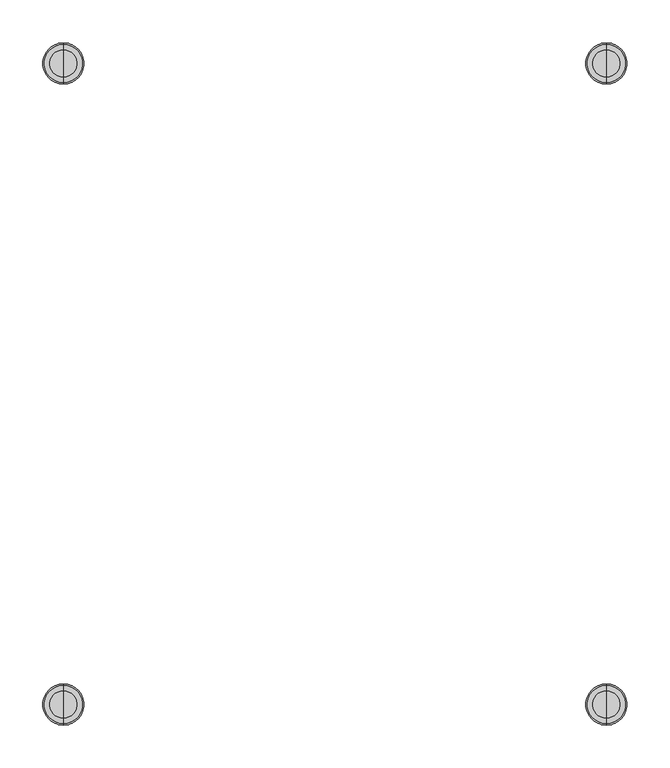
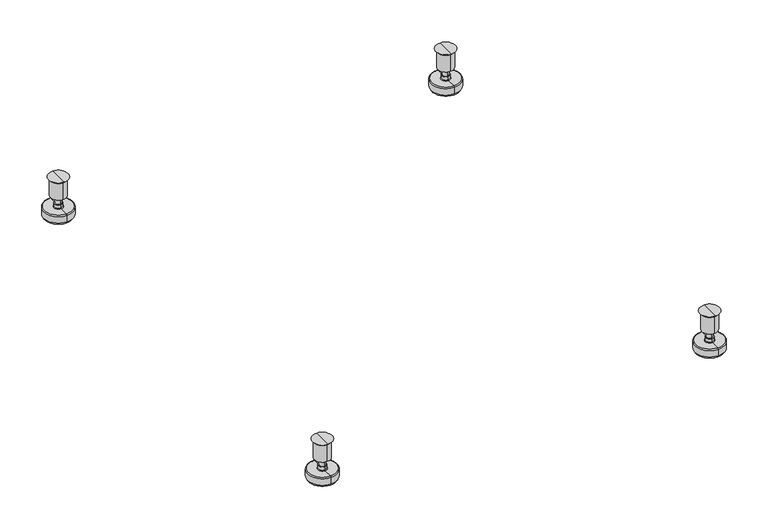
"""IFC4 building model written with IfcOpenShell, lengths in millimetres: proxy geometry."""

from ifc_helpers import new_model, si_unit, point, frame, origin, place, context, project, spatial, polyline, circle_curve, ellipse_curve, trimmed, source, transform, mapped, element, save
from ifc_brep_helpers import plane_surface, cylinder_surface, revolved_surface, advanced_brep


def specialty_equipment_d7a7bdd4(model_context):
    return source(origin(), model_context, "Body", "AdvancedBrep", [
        advanced_brep(
        [(-315.785554, 394.97, 30.3784), (-315.785554, 350.519892, 30.3784), (-315.785554, 350.519892, 33.5534), (-315.785554, 394.97, 33.5534), (-315.785554, 372.744946, 30.3784), (-315.785554, 388.592, 97.0), (-315.785554, 356.897892, 97.0), (-315.785554, 372.744946, 97.0), (-315.785554, 385.445, 93.853), (-315.785554, 360.044892, 93.853), (-315.785554, 385.445, 65.3034), (-315.785554, 360.044892, 65.3034), (-315.785554, 377.5075, 65.3034), (-315.785554, 367.982392, 65.3034), (-315.785554, 377.5075, 52.6034), (-315.785554, 367.982392, 52.6034), (-315.785554, 379.095, 52.6034), (-315.785554, 366.394892, 52.6034), (-315.785554, 379.095, 47.2694), (-315.785554, 366.394892, 47.2694), (-315.785554, 380.111, 46.2534), (-315.785554, 365.378892, 46.2534), (-315.785554, 394.97, 46.2534), (-315.785554, 350.519892, 46.2534), (-315.785554, 396.5575, 44.6659), (-315.785554, 348.932392, 44.6659), (-315.785554, 396.5575, 33.5534), (-315.785554, 348.932392, 33.5534)],
        [
            (0, 1, circle_curve(frame((-315.785554, 372.744946, 30.3784), z_axis=(0.0, 0.0, 1.0), x_axis=(0.0, -1.0, 0.0)), 22.225054)),
            (1, 2),
            (2, 3, circle_curve(frame((-315.785554, 372.744946, 33.5534), z_axis=(0.0, 0.0, -1.0), x_axis=(0.0, -1.0, 0.0)), 22.225054)),
            (3, 0),
            (1, 0, circle_curve(frame((-315.785554, 372.744946, 30.3784), z_axis=(0.0, 0.0, 1.0), x_axis=(0.0, -1.0, 0.0)), 22.225054)),
            (3, 2, circle_curve(frame((-315.785554, 372.744946, 33.5534), z_axis=(0.0, 0.0, -1.0), x_axis=(0.0, -1.0, 0.0)), 22.225054)),
            (4, 1),
            (0, 4),
            (5, 6, circle_curve(frame((-315.785554, 372.744946, 97.0), z_axis=(0.0, 0.0, 1.0), x_axis=(0.0, -1.0, 0.0)), 15.847054)),
            (6, 7),
            (7, 5),
            (6, 5, circle_curve(frame((-315.785554, 372.744946, 97.0), z_axis=(0.0, 0.0, 1.0), x_axis=(0.0, -1.0, 0.0)), 15.847054)),
            (8, 9, circle_curve(frame((-315.785554, 372.744946, 93.853), z_axis=(0.0, 0.0, 1.0), x_axis=(0.0, -1.0, 0.0)), 12.700054)),
            (9, 6),
            (5, 8),
            (9, 8, circle_curve(frame((-315.785554, 372.744946, 93.853), z_axis=(0.0, 0.0, 1.0), x_axis=(0.0, -1.0, 0.0)), 12.700054)),
            (10, 11, circle_curve(frame((-315.785554, 372.744946, 65.3034), z_axis=(0.0, 0.0, 1.0), x_axis=(0.0, -1.0, 0.0)), 12.700054)),
            (11, 9),
            (8, 10),
            (11, 10, circle_curve(frame((-315.785554, 372.744946, 65.3034), z_axis=(0.0, 0.0, 1.0), x_axis=(0.0, -1.0, 0.0)), 12.700054)),
            (12, 13, circle_curve(frame((-315.785554, 372.744946, 65.3034), z_axis=(0.0, 0.0, 1.0), x_axis=(0.0, -1.0, 0.0)), 4.762554)),
            (13, 11),
            (10, 12),
            (13, 12, circle_curve(frame((-315.785554, 372.744946, 65.3034), z_axis=(0.0, 0.0, 1.0), x_axis=(0.0, -1.0, 0.0)), 4.762554)),
            (14, 15, circle_curve(frame((-315.785554, 372.744946, 52.6034), z_axis=(0.0, 0.0, 1.0), x_axis=(0.0, -1.0, 0.0)), 4.762554)),
            (15, 13),
            (12, 14),
            (15, 14, circle_curve(frame((-315.785554, 372.744946, 52.6034), z_axis=(0.0, 0.0, 1.0), x_axis=(0.0, -1.0, 0.0)), 4.762554)),
            (16, 17, circle_curve(frame((-315.785554, 372.744946, 52.6034), z_axis=(0.0, 0.0, 1.0), x_axis=(0.0, -1.0, 0.0)), 6.350054)),
            (17, 15),
            (14, 16),
            (17, 16, circle_curve(frame((-315.785554, 372.744946, 52.6034), z_axis=(0.0, 0.0, 1.0), x_axis=(0.0, -1.0, 0.0)), 6.350054)),
            (18, 19, circle_curve(frame((-315.785554, 372.744946, 47.2694), z_axis=(0.0, 0.0, 1.0), x_axis=(0.0, -1.0, 0.0)), 6.350054)),
            (19, 17),
            (16, 18),
            (19, 18, circle_curve(frame((-315.785554, 372.744946, 47.2694), z_axis=(0.0, 0.0, 1.0), x_axis=(0.0, -1.0, 0.0)), 6.350054)),
            (20, 21, circle_curve(frame((-315.785554, 372.744946, 46.2534), z_axis=(0.0, 0.0, 1.0), x_axis=(0.0, -1.0, 0.0)), 7.366054)),
            (21, 19),
            (18, 20),
            (21, 20, circle_curve(frame((-315.785554, 372.744946, 46.2534), z_axis=(0.0, 0.0, 1.0), x_axis=(0.0, -1.0, 0.0)), 7.366054)),
            (22, 23, circle_curve(frame((-315.785554, 372.744946, 46.2534), z_axis=(0.0, 0.0, 1.0), x_axis=(0.0, -1.0, 0.0)), 22.225054)),
            (23, 21),
            (20, 22),
            (23, 22, circle_curve(frame((-315.785554, 372.744946, 46.2534), z_axis=(0.0, 0.0, 1.0), x_axis=(0.0, -1.0, 0.0)), 22.225054)),
            (24, 25, circle_curve(frame((-315.785554, 372.744946, 44.6659), z_axis=(0.0, 0.0, 1.0), x_axis=(0.0, -1.0, 0.0)), 23.812554)),
            (25, 23, circle_curve(frame((-315.785554, 350.519892, 44.6659), z_axis=(-1.0, 0.0, 0.0), x_axis=(0.0, 1.0, 0.0)), 1.5875)),
            (22, 24, circle_curve(frame((-315.785554, 394.97, 44.6659), z_axis=(-1.0, 0.0, 0.0), x_axis=(0.0, -1.0, 0.0)), 1.5875)),
            (25, 24, circle_curve(frame((-315.785554, 372.744946, 44.6659), z_axis=(0.0, 0.0, 1.0), x_axis=(0.0, -1.0, 0.0)), 23.812554)),
            (26, 27, circle_curve(frame((-315.785554, 372.744946, 33.5534), z_axis=(0.0, 0.0, 1.0), x_axis=(0.0, -1.0, 0.0)), 23.812554)),
            (27, 25),
            (24, 26),
            (27, 26, circle_curve(frame((-315.785554, 372.744946, 33.5534), z_axis=(0.0, 0.0, 1.0), x_axis=(0.0, -1.0, 0.0)), 23.812554)),
            (2, 27),
            (26, 3),
        ],
        [
            cylinder_surface(frame((-315.785554, 372.744946, 93.853), z_axis=(0.0, 0.0, -1.0), x_axis=(0.0, -1.0, 0.0)), 22.225054),
            plane_surface(frame((-315.785554, 372.744946, 30.3784), z_axis=(0.0, 0.0, -1.0), x_axis=(0.0, -1.0, 0.0))),
            plane_surface(frame((-315.785554, 372.744946, 97.0), z_axis=(0.0, 0.0, 1.0), x_axis=(0.0, -1.0, 0.0))),
            revolved_surface(polyline([(-315.785554, 356.897892, 97.0), (-315.785554, 360.044892, 93.853)]), (-315.785554, 372.744946, 93.853), (0.0, 0.0, -1.0)),
            cylinder_surface(frame((-315.785554, 372.744946, 93.853), z_axis=(0.0, 0.0, -1.0), x_axis=(0.0, -1.0, 0.0)), 12.700054),
            plane_surface(frame((-315.785554, 372.744946, 65.3034), z_axis=(0.0, 0.0, -1.0), x_axis=(0.0, -1.0, 0.0))),
            cylinder_surface(frame((-315.785554, 372.744946, 93.853), z_axis=(0.0, 0.0, -1.0), x_axis=(0.0, -1.0, 0.0)), 4.762554),
            plane_surface(frame((-315.785554, 372.744946, 52.6034), z_axis=(0.0, 0.0, 1.0), x_axis=(0.0, -1.0, 0.0))),
            cylinder_surface(frame((-315.785554, 372.744946, 93.853), z_axis=(0.0, 0.0, -1.0), x_axis=(0.0, -1.0, 0.0)), 6.350054),
            revolved_surface(polyline([(-315.785554, 366.394892, 47.2694), (-315.785554, 365.378892, 46.2534)]), (-315.785554, 372.744946, 93.853), (0.0, 0.0, -1.0)),
            plane_surface(frame((-315.785554, 372.744946, 46.2534), z_axis=(0.0, 0.0, 1.0), x_axis=(0.0, -1.0, 0.0))),
            revolved_surface(trimmed(ellipse_curve(frame((-315.785554, 350.519892, 44.6659), z_axis=(1.0, 0.0, 0.0), x_axis=(0.0, 1.0, 0.0)), 1.5875, 1.5875), [point((-315.785554, 350.519892, 46.2534))], [point((-315.785554, 348.932392, 44.6659))], True, "CARTESIAN"), (-315.785554, 372.744946, 93.853), (0.0, 0.0, -1.0)),
            cylinder_surface(frame((-315.785554, 372.744946, 93.853), z_axis=(0.0, 0.0, -1.0), x_axis=(0.0, -1.0, 0.0)), 23.812554),
            plane_surface(frame((-315.785554, 372.744946, 33.5534), z_axis=(0.0, 0.0, -1.0), x_axis=(0.0, -1.0, 0.0))),
        ],
        [
            (0, [[1, 2, 3, 4]]),
            (0, [[5, -4, 6, -2]]),
            (1, [[7, -1, 8]]),
            (1, [[-8, -5, -7]]),
            (2, [[9, 10, 11]]),
            (2, [[12, -11, -10]]),
            (3, [[13, 14, -9, 15]]),
            (3, [[16, -15, -12, -14]]),
            (4, [[17, 18, -13, 19]]),
            (4, [[20, -19, -16, -18]]),
            (5, [[21, 22, -17, 23]]),
            (5, [[24, -23, -20, -22]]),
            (6, [[25, 26, -21, 27]]),
            (6, [[28, -27, -24, -26]]),
            (7, [[29, 30, -25, 31]]),
            (7, [[32, -31, -28, -30]]),
            (8, [[33, 34, -29, 35]]),
            (8, [[36, -35, -32, -34]]),
            (9, [[37, 38, -33, 39]]),
            (9, [[40, -39, -36, -38]]),
            (10, [[41, 42, -37, 43]]),
            (10, [[44, -43, -40, -42]]),
            (11, [[45, 46, -41, 47]]),
            (11, [[48, -47, -44, -46]]),
            (12, [[49, 50, -45, 51]]),
            (12, [[52, -51, -48, -50]]),
            (13, [[-3, 53, -49, 54]]),
            (13, [[-6, -54, -52, -53]]),
        ],
    ),
        advanced_brep(
        [(315.658446, 394.97, 30.3784), (315.658446, 350.519892, 30.3784), (315.658446, 350.519892, 33.5534), (315.658446, 394.97, 33.5534), (315.658446, 372.744946, 30.3784), (315.658446, 388.592, 97.0), (315.658446, 356.897892, 97.0), (315.658446, 372.744946, 97.0), (315.658446, 385.445, 93.853), (315.658446, 360.044892, 93.853), (315.658446, 385.445, 65.3034), (315.658446, 360.044892, 65.3034), (315.658446, 377.5075, 65.3034), (315.658446, 367.982392, 65.3034), (315.658446, 377.5075, 52.6034), (315.658446, 367.982392, 52.6034), (315.658446, 379.095, 52.6034), (315.658446, 366.394892, 52.6034), (315.658446, 379.095, 47.2694), (315.658446, 366.394892, 47.2694), (315.658446, 380.111, 46.2534), (315.658446, 365.378892, 46.2534), (315.658446, 394.97, 46.2534), (315.658446, 350.519892, 46.2534), (315.658446, 396.5575, 44.6659), (315.658446, 348.932392, 44.6659), (315.658446, 396.5575, 33.5534), (315.658446, 348.932392, 33.5534)],
        [
            (0, 1, circle_curve(frame((315.658446, 372.744946, 30.3784), z_axis=(0.0, 0.0, 1.0), x_axis=(0.0, -1.0, 0.0)), 22.225054)),
            (1, 2),
            (2, 3, circle_curve(frame((315.658446, 372.744946, 33.5534), z_axis=(0.0, 0.0, -1.0), x_axis=(0.0, -1.0, 0.0)), 22.225054)),
            (3, 0),
            (1, 0, circle_curve(frame((315.658446, 372.744946, 30.3784), z_axis=(0.0, 0.0, 1.0), x_axis=(0.0, -1.0, 0.0)), 22.225054)),
            (3, 2, circle_curve(frame((315.658446, 372.744946, 33.5534), z_axis=(0.0, 0.0, -1.0), x_axis=(0.0, -1.0, 0.0)), 22.225054)),
            (4, 1),
            (0, 4),
            (5, 6, circle_curve(frame((315.658446, 372.744946, 97.0), z_axis=(0.0, 0.0, 1.0), x_axis=(0.0, -1.0, 0.0)), 15.847054)),
            (6, 7),
            (7, 5),
            (6, 5, circle_curve(frame((315.658446, 372.744946, 97.0), z_axis=(0.0, 0.0, 1.0), x_axis=(0.0, -1.0, 0.0)), 15.847054)),
            (8, 9, circle_curve(frame((315.658446, 372.744946, 93.853), z_axis=(0.0, 0.0, 1.0), x_axis=(0.0, -1.0, 0.0)), 12.700054)),
            (9, 6),
            (5, 8),
            (9, 8, circle_curve(frame((315.658446, 372.744946, 93.853), z_axis=(0.0, 0.0, 1.0), x_axis=(0.0, -1.0, 0.0)), 12.700054)),
            (10, 11, circle_curve(frame((315.658446, 372.744946, 65.3034), z_axis=(0.0, 0.0, 1.0), x_axis=(0.0, -1.0, 0.0)), 12.700054)),
            (11, 9),
            (8, 10),
            (11, 10, circle_curve(frame((315.658446, 372.744946, 65.3034), z_axis=(0.0, 0.0, 1.0), x_axis=(0.0, -1.0, 0.0)), 12.700054)),
            (12, 13, circle_curve(frame((315.658446, 372.744946, 65.3034), z_axis=(0.0, 0.0, 1.0), x_axis=(0.0, -1.0, 0.0)), 4.762554)),
            (13, 11),
            (10, 12),
            (13, 12, circle_curve(frame((315.658446, 372.744946, 65.3034), z_axis=(0.0, 0.0, 1.0), x_axis=(0.0, -1.0, 0.0)), 4.762554)),
            (14, 15, circle_curve(frame((315.658446, 372.744946, 52.6034), z_axis=(0.0, 0.0, 1.0), x_axis=(0.0, -1.0, 0.0)), 4.762554)),
            (15, 13),
            (12, 14),
            (15, 14, circle_curve(frame((315.658446, 372.744946, 52.6034), z_axis=(0.0, 0.0, 1.0), x_axis=(0.0, -1.0, 0.0)), 4.762554)),
            (16, 17, circle_curve(frame((315.658446, 372.744946, 52.6034), z_axis=(0.0, 0.0, 1.0), x_axis=(0.0, -1.0, 0.0)), 6.350054)),
            (17, 15),
            (14, 16),
            (17, 16, circle_curve(frame((315.658446, 372.744946, 52.6034), z_axis=(0.0, 0.0, 1.0), x_axis=(0.0, -1.0, 0.0)), 6.350054)),
            (18, 19, circle_curve(frame((315.658446, 372.744946, 47.2694), z_axis=(0.0, 0.0, 1.0), x_axis=(0.0, -1.0, 0.0)), 6.350054)),
            (19, 17),
            (16, 18),
            (19, 18, circle_curve(frame((315.658446, 372.744946, 47.2694), z_axis=(0.0, 0.0, 1.0), x_axis=(0.0, -1.0, 0.0)), 6.350054)),
            (20, 21, circle_curve(frame((315.658446, 372.744946, 46.2534), z_axis=(0.0, 0.0, 1.0), x_axis=(0.0, -1.0, 0.0)), 7.366054)),
            (21, 19),
            (18, 20),
            (21, 20, circle_curve(frame((315.658446, 372.744946, 46.2534), z_axis=(0.0, 0.0, 1.0), x_axis=(0.0, -1.0, 0.0)), 7.366054)),
            (22, 23, circle_curve(frame((315.658446, 372.744946, 46.2534), z_axis=(0.0, 0.0, 1.0), x_axis=(0.0, -1.0, 0.0)), 22.225054)),
            (23, 21),
            (20, 22),
            (23, 22, circle_curve(frame((315.658446, 372.744946, 46.2534), z_axis=(0.0, 0.0, 1.0), x_axis=(0.0, -1.0, 0.0)), 22.225054)),
            (24, 25, circle_curve(frame((315.658446, 372.744946, 44.6659), z_axis=(0.0, 0.0, 1.0), x_axis=(0.0, -1.0, 0.0)), 23.812554)),
            (25, 23, circle_curve(frame((315.658446, 350.519892, 44.6659), z_axis=(-1.0, 0.0, 0.0), x_axis=(0.0, 1.0, 0.0)), 1.5875)),
            (22, 24, circle_curve(frame((315.658446, 394.97, 44.6659), z_axis=(-1.0, 0.0, 0.0), x_axis=(0.0, -1.0, 0.0)), 1.5875)),
            (25, 24, circle_curve(frame((315.658446, 372.744946, 44.6659), z_axis=(0.0, 0.0, 1.0), x_axis=(0.0, -1.0, 0.0)), 23.812554)),
            (26, 27, circle_curve(frame((315.658446, 372.744946, 33.5534), z_axis=(0.0, 0.0, 1.0), x_axis=(0.0, -1.0, 0.0)), 23.812554)),
            (27, 25),
            (24, 26),
            (27, 26, circle_curve(frame((315.658446, 372.744946, 33.5534), z_axis=(0.0, 0.0, 1.0), x_axis=(0.0, -1.0, 0.0)), 23.812554)),
            (2, 27),
            (26, 3),
        ],
        [
            cylinder_surface(frame((315.658446, 372.744946, 93.853), z_axis=(0.0, 0.0, -1.0), x_axis=(0.0, -1.0, 0.0)), 22.225054),
            plane_surface(frame((315.658446, 372.744946, 30.3784), z_axis=(0.0, 0.0, -1.0), x_axis=(0.0, -1.0, 0.0))),
            plane_surface(frame((315.658446, 372.744946, 97.0), z_axis=(0.0, 0.0, 1.0), x_axis=(0.0, -1.0, 0.0))),
            revolved_surface(polyline([(315.658446, 356.897892, 97.0), (315.658446, 360.044892, 93.853)]), (315.658446, 372.744946, 93.853), (0.0, 0.0, -1.0)),
            cylinder_surface(frame((315.658446, 372.744946, 93.853), z_axis=(0.0, 0.0, -1.0), x_axis=(0.0, -1.0, 0.0)), 12.700054),
            plane_surface(frame((315.658446, 372.744946, 65.3034), z_axis=(0.0, 0.0, -1.0), x_axis=(0.0, -1.0, 0.0))),
            cylinder_surface(frame((315.658446, 372.744946, 93.853), z_axis=(0.0, 0.0, -1.0), x_axis=(0.0, -1.0, 0.0)), 4.762554),
            plane_surface(frame((315.658446, 372.744946, 52.6034), z_axis=(0.0, 0.0, 1.0), x_axis=(0.0, -1.0, 0.0))),
            cylinder_surface(frame((315.658446, 372.744946, 93.853), z_axis=(0.0, 0.0, -1.0), x_axis=(0.0, -1.0, 0.0)), 6.350054),
            revolved_surface(polyline([(315.658446, 366.394892, 47.2694), (315.658446, 365.378892, 46.2534)]), (315.658446, 372.744946, 93.853), (0.0, 0.0, -1.0)),
            plane_surface(frame((315.658446, 372.744946, 46.2534), z_axis=(0.0, 0.0, 1.0), x_axis=(0.0, -1.0, 0.0))),
            revolved_surface(trimmed(ellipse_curve(frame((315.658446, 350.519892, 44.6659), z_axis=(1.0, 0.0, 0.0), x_axis=(0.0, 1.0, 0.0)), 1.5875, 1.5875), [point((315.658446, 350.519892, 46.2534))], [point((315.658446, 348.932392, 44.6659))], True, "CARTESIAN"), (315.658446, 372.744946, 93.853), (0.0, 0.0, -1.0)),
            cylinder_surface(frame((315.658446, 372.744946, 93.853), z_axis=(0.0, 0.0, -1.0), x_axis=(0.0, -1.0, 0.0)), 23.812554),
            plane_surface(frame((315.658446, 372.744946, 33.5534), z_axis=(0.0, 0.0, -1.0), x_axis=(0.0, -1.0, 0.0))),
        ],
        [
            (0, [[1, 2, 3, 4]]),
            (0, [[5, -4, 6, -2]]),
            (1, [[7, -1, 8]]),
            (1, [[-8, -5, -7]]),
            (2, [[9, 10, 11]]),
            (2, [[12, -11, -10]]),
            (3, [[13, 14, -9, 15]]),
            (3, [[16, -15, -12, -14]]),
            (4, [[17, 18, -13, 19]]),
            (4, [[20, -19, -16, -18]]),
            (5, [[21, 22, -17, 23]]),
            (5, [[24, -23, -20, -22]]),
            (6, [[25, 26, -21, 27]]),
            (6, [[28, -27, -24, -26]]),
            (7, [[29, 30, -25, 31]]),
            (7, [[32, -31, -28, -30]]),
            (8, [[33, 34, -29, 35]]),
            (8, [[36, -35, -32, -34]]),
            (9, [[37, 38, -33, 39]]),
            (9, [[40, -39, -36, -38]]),
            (10, [[41, 42, -37, 43]]),
            (10, [[44, -43, -40, -42]]),
            (11, [[45, 46, -41, 47]]),
            (11, [[48, -47, -44, -46]]),
            (12, [[49, 50, -45, 51]]),
            (12, [[52, -51, -48, -50]]),
            (13, [[-3, 53, -49, 54]]),
            (13, [[-6, -54, -52, -53]]),
        ],
    ),
        advanced_brep(
        [(-315.785554, -350.519892, 30.3784), (-315.785554, -394.97, 30.3784), (-315.785554, -394.97, 33.5534), (-315.785554, -350.519892, 33.5534), (-315.785554, -372.744946, 30.3784), (-315.785554, -356.897892, 97.0), (-315.785554, -388.592, 97.0), (-315.785554, -372.744946, 97.0), (-315.785554, -360.044892, 93.853), (-315.785554, -385.445, 93.853), (-315.785554, -360.044892, 65.3034), (-315.785554, -385.445, 65.3034), (-315.785554, -367.982392, 65.3034), (-315.785554, -377.5075, 65.3034), (-315.785554, -367.982392, 52.6034), (-315.785554, -377.5075, 52.6034), (-315.785554, -366.394892, 52.6034), (-315.785554, -379.095, 52.6034), (-315.785554, -366.394892, 47.2694), (-315.785554, -379.095, 47.2694), (-315.785554, -365.378892, 46.2534), (-315.785554, -380.111, 46.2534), (-315.785554, -350.519892, 46.2534), (-315.785554, -394.97, 46.2534), (-315.785554, -348.932392, 44.6659), (-315.785554, -396.5575, 44.6659), (-315.785554, -348.932392, 33.5534), (-315.785554, -396.5575, 33.5534)],
        [
            (0, 1, circle_curve(frame((-315.785554, -372.744946, 30.3784), z_axis=(0.0, 0.0, 1.0), x_axis=(0.0, -1.0, 0.0)), 22.225054)),
            (1, 2),
            (2, 3, circle_curve(frame((-315.785554, -372.744946, 33.5534), z_axis=(0.0, 0.0, -1.0), x_axis=(0.0, -1.0, 0.0)), 22.225054)),
            (3, 0),
            (1, 0, circle_curve(frame((-315.785554, -372.744946, 30.3784), z_axis=(0.0, 0.0, 1.0), x_axis=(0.0, -1.0, 0.0)), 22.225054)),
            (3, 2, circle_curve(frame((-315.785554, -372.744946, 33.5534), z_axis=(0.0, 0.0, -1.0), x_axis=(0.0, -1.0, 0.0)), 22.225054)),
            (4, 1),
            (0, 4),
            (5, 6, circle_curve(frame((-315.785554, -372.744946, 97.0), z_axis=(0.0, 0.0, 1.0), x_axis=(0.0, -1.0, 0.0)), 15.847054)),
            (6, 7),
            (7, 5),
            (6, 5, circle_curve(frame((-315.785554, -372.744946, 97.0), z_axis=(0.0, 0.0, 1.0), x_axis=(0.0, -1.0, 0.0)), 15.847054)),
            (8, 9, circle_curve(frame((-315.785554, -372.744946, 93.853), z_axis=(0.0, 0.0, 1.0), x_axis=(0.0, -1.0, 0.0)), 12.700054)),
            (9, 6),
            (5, 8),
            (9, 8, circle_curve(frame((-315.785554, -372.744946, 93.853), z_axis=(0.0, 0.0, 1.0), x_axis=(0.0, -1.0, 0.0)), 12.700054)),
            (10, 11, circle_curve(frame((-315.785554, -372.744946, 65.3034), z_axis=(0.0, 0.0, 1.0), x_axis=(0.0, -1.0, 0.0)), 12.700054)),
            (11, 9),
            (8, 10),
            (11, 10, circle_curve(frame((-315.785554, -372.744946, 65.3034), z_axis=(0.0, 0.0, 1.0), x_axis=(0.0, -1.0, 0.0)), 12.700054)),
            (12, 13, circle_curve(frame((-315.785554, -372.744946, 65.3034), z_axis=(0.0, 0.0, 1.0), x_axis=(0.0, -1.0, 0.0)), 4.762554)),
            (13, 11),
            (10, 12),
            (13, 12, circle_curve(frame((-315.785554, -372.744946, 65.3034), z_axis=(0.0, 0.0, 1.0), x_axis=(0.0, -1.0, 0.0)), 4.762554)),
            (14, 15, circle_curve(frame((-315.785554, -372.744946, 52.6034), z_axis=(0.0, 0.0, 1.0), x_axis=(0.0, -1.0, 0.0)), 4.762554)),
            (15, 13),
            (12, 14),
            (15, 14, circle_curve(frame((-315.785554, -372.744946, 52.6034), z_axis=(0.0, 0.0, 1.0), x_axis=(0.0, -1.0, 0.0)), 4.762554)),
            (16, 17, circle_curve(frame((-315.785554, -372.744946, 52.6034), z_axis=(0.0, 0.0, 1.0), x_axis=(0.0, -1.0, 0.0)), 6.350054)),
            (17, 15),
            (14, 16),
            (17, 16, circle_curve(frame((-315.785554, -372.744946, 52.6034), z_axis=(0.0, 0.0, 1.0), x_axis=(0.0, -1.0, 0.0)), 6.350054)),
            (18, 19, circle_curve(frame((-315.785554, -372.744946, 47.2694), z_axis=(0.0, 0.0, 1.0), x_axis=(0.0, -1.0, 0.0)), 6.350054)),
            (19, 17),
            (16, 18),
            (19, 18, circle_curve(frame((-315.785554, -372.744946, 47.2694), z_axis=(0.0, 0.0, 1.0), x_axis=(0.0, -1.0, 0.0)), 6.350054)),
            (20, 21, circle_curve(frame((-315.785554, -372.744946, 46.2534), z_axis=(0.0, 0.0, 1.0), x_axis=(0.0, -1.0, 0.0)), 7.366054)),
            (21, 19),
            (18, 20),
            (21, 20, circle_curve(frame((-315.785554, -372.744946, 46.2534), z_axis=(0.0, 0.0, 1.0), x_axis=(0.0, -1.0, 0.0)), 7.366054)),
            (22, 23, circle_curve(frame((-315.785554, -372.744946, 46.2534), z_axis=(0.0, 0.0, 1.0), x_axis=(0.0, -1.0, 0.0)), 22.225054)),
            (23, 21),
            (20, 22),
            (23, 22, circle_curve(frame((-315.785554, -372.744946, 46.2534), z_axis=(0.0, 0.0, 1.0), x_axis=(0.0, -1.0, 0.0)), 22.225054)),
            (24, 25, circle_curve(frame((-315.785554, -372.744946, 44.6659), z_axis=(0.0, 0.0, 1.0), x_axis=(0.0, -1.0, 0.0)), 23.812554)),
            (25, 23, circle_curve(frame((-315.785554, -394.97, 44.6659), z_axis=(-1.0, 0.0, 0.0), x_axis=(0.0, 1.0, 0.0)), 1.5875)),
            (22, 24, circle_curve(frame((-315.785554, -350.519892, 44.6659), z_axis=(-1.0, 0.0, 0.0), x_axis=(0.0, -1.0, 0.0)), 1.5875)),
            (25, 24, circle_curve(frame((-315.785554, -372.744946, 44.6659), z_axis=(0.0, 0.0, 1.0), x_axis=(0.0, -1.0, 0.0)), 23.812554)),
            (26, 27, circle_curve(frame((-315.785554, -372.744946, 33.5534), z_axis=(0.0, 0.0, 1.0), x_axis=(0.0, -1.0, 0.0)), 23.812554)),
            (27, 25),
            (24, 26),
            (27, 26, circle_curve(frame((-315.785554, -372.744946, 33.5534), z_axis=(0.0, 0.0, 1.0), x_axis=(0.0, -1.0, 0.0)), 23.812554)),
            (2, 27),
            (26, 3),
        ],
        [
            cylinder_surface(frame((-315.785554, -372.744946, 93.853), z_axis=(0.0, 0.0, -1.0), x_axis=(0.0, -1.0, 0.0)), 22.225054),
            plane_surface(frame((-315.785554, -372.744946, 30.3784), z_axis=(0.0, 0.0, -1.0), x_axis=(0.0, -1.0, 0.0))),
            plane_surface(frame((-315.785554, -372.744946, 97.0), z_axis=(0.0, 0.0, 1.0), x_axis=(0.0, -1.0, 0.0))),
            revolved_surface(polyline([(-315.785554, -388.592, 97.0), (-315.785554, -385.445, 93.853)]), (-315.785554, -372.744946, 93.853), (0.0, 0.0, -1.0)),
            cylinder_surface(frame((-315.785554, -372.744946, 93.853), z_axis=(0.0, 0.0, -1.0), x_axis=(0.0, -1.0, 0.0)), 12.700054),
            plane_surface(frame((-315.785554, -372.744946, 65.3034), z_axis=(0.0, 0.0, -1.0), x_axis=(0.0, -1.0, 0.0))),
            cylinder_surface(frame((-315.785554, -372.744946, 93.853), z_axis=(0.0, 0.0, -1.0), x_axis=(0.0, -1.0, 0.0)), 4.762554),
            plane_surface(frame((-315.785554, -372.744946, 52.6034), z_axis=(0.0, 0.0, 1.0), x_axis=(0.0, -1.0, 0.0))),
            cylinder_surface(frame((-315.785554, -372.744946, 93.853), z_axis=(0.0, 0.0, -1.0), x_axis=(0.0, -1.0, 0.0)), 6.350054),
            revolved_surface(polyline([(-315.785554, -379.095, 47.2694), (-315.785554, -380.111, 46.2534)]), (-315.785554, -372.744946, 93.853), (0.0, 0.0, -1.0)),
            plane_surface(frame((-315.785554, -372.744946, 46.2534), z_axis=(0.0, 0.0, 1.0), x_axis=(0.0, -1.0, 0.0))),
            revolved_surface(trimmed(ellipse_curve(frame((-315.785554, -394.97, 44.6659), z_axis=(1.0, 0.0, 0.0), x_axis=(0.0, 1.0, 0.0)), 1.5875, 1.5875), [point((-315.785554, -394.97, 46.2534))], [point((-315.785554, -396.5575, 44.6659))], True, "CARTESIAN"), (-315.785554, -372.744946, 93.853), (0.0, 0.0, -1.0)),
            cylinder_surface(frame((-315.785554, -372.744946, 93.853), z_axis=(0.0, 0.0, -1.0), x_axis=(0.0, -1.0, 0.0)), 23.812554),
            plane_surface(frame((-315.785554, -372.744946, 33.5534), z_axis=(0.0, 0.0, -1.0), x_axis=(0.0, -1.0, 0.0))),
        ],
        [
            (0, [[1, 2, 3, 4]]),
            (0, [[5, -4, 6, -2]]),
            (1, [[7, -1, 8]]),
            (1, [[-8, -5, -7]]),
            (2, [[9, 10, 11]]),
            (2, [[12, -11, -10]]),
            (3, [[13, 14, -9, 15]]),
            (3, [[16, -15, -12, -14]]),
            (4, [[17, 18, -13, 19]]),
            (4, [[20, -19, -16, -18]]),
            (5, [[21, 22, -17, 23]]),
            (5, [[24, -23, -20, -22]]),
            (6, [[25, 26, -21, 27]]),
            (6, [[28, -27, -24, -26]]),
            (7, [[29, 30, -25, 31]]),
            (7, [[32, -31, -28, -30]]),
            (8, [[33, 34, -29, 35]]),
            (8, [[36, -35, -32, -34]]),
            (9, [[37, 38, -33, 39]]),
            (9, [[40, -39, -36, -38]]),
            (10, [[41, 42, -37, 43]]),
            (10, [[44, -43, -40, -42]]),
            (11, [[45, 46, -41, 47]]),
            (11, [[48, -47, -44, -46]]),
            (12, [[49, 50, -45, 51]]),
            (12, [[52, -51, -48, -50]]),
            (13, [[-3, 53, -49, 54]]),
            (13, [[-6, -54, -52, -53]]),
        ],
    ),
        advanced_brep(
        [(315.658446, -350.519892, 30.3784), (315.658446, -394.97, 30.3784), (315.658446, -394.97, 33.5534), (315.658446, -350.519892, 33.5534), (315.658446, -372.744946, 30.3784), (315.658446, -356.897892, 97.0), (315.658446, -388.592, 97.0), (315.658446, -372.744946, 97.0), (315.658446, -360.044892, 93.853), (315.658446, -385.445, 93.853), (315.658446, -360.044892, 65.3034), (315.658446, -385.445, 65.3034), (315.658446, -367.982392, 65.3034), (315.658446, -377.5075, 65.3034), (315.658446, -367.982392, 52.6034), (315.658446, -377.5075, 52.6034), (315.658446, -366.394892, 52.6034), (315.658446, -379.095, 52.6034), (315.658446, -366.394892, 47.2694), (315.658446, -379.095, 47.2694), (315.658446, -365.378892, 46.2534), (315.658446, -380.111, 46.2534), (315.658446, -350.519892, 46.2534), (315.658446, -394.97, 46.2534), (315.658446, -348.932392, 44.6659), (315.658446, -396.5575, 44.6659), (315.658446, -348.932392, 33.5534), (315.658446, -396.5575, 33.5534)],
        [
            (0, 1, circle_curve(frame((315.658446, -372.744946, 30.3784), z_axis=(0.0, 0.0, 1.0), x_axis=(0.0, -1.0, 0.0)), 22.225054)),
            (1, 2),
            (2, 3, circle_curve(frame((315.658446, -372.744946, 33.5534), z_axis=(0.0, 0.0, -1.0), x_axis=(0.0, -1.0, 0.0)), 22.225054)),
            (3, 0),
            (1, 0, circle_curve(frame((315.658446, -372.744946, 30.3784), z_axis=(0.0, 0.0, 1.0), x_axis=(0.0, -1.0, 0.0)), 22.225054)),
            (3, 2, circle_curve(frame((315.658446, -372.744946, 33.5534), z_axis=(0.0, 0.0, -1.0), x_axis=(0.0, -1.0, 0.0)), 22.225054)),
            (4, 1),
            (0, 4),
            (5, 6, circle_curve(frame((315.658446, -372.744946, 97.0), z_axis=(0.0, 0.0, 1.0), x_axis=(0.0, -1.0, 0.0)), 15.847054)),
            (6, 7),
            (7, 5),
            (6, 5, circle_curve(frame((315.658446, -372.744946, 97.0), z_axis=(0.0, 0.0, 1.0), x_axis=(0.0, -1.0, 0.0)), 15.847054)),
            (8, 9, circle_curve(frame((315.658446, -372.744946, 93.853), z_axis=(0.0, 0.0, 1.0), x_axis=(0.0, -1.0, 0.0)), 12.700054)),
            (9, 6),
            (5, 8),
            (9, 8, circle_curve(frame((315.658446, -372.744946, 93.853), z_axis=(0.0, 0.0, 1.0), x_axis=(0.0, -1.0, 0.0)), 12.700054)),
            (10, 11, circle_curve(frame((315.658446, -372.744946, 65.3034), z_axis=(0.0, 0.0, 1.0), x_axis=(0.0, -1.0, 0.0)), 12.700054)),
            (11, 9),
            (8, 10),
            (11, 10, circle_curve(frame((315.658446, -372.744946, 65.3034), z_axis=(0.0, 0.0, 1.0), x_axis=(0.0, -1.0, 0.0)), 12.700054)),
            (12, 13, circle_curve(frame((315.658446, -372.744946, 65.3034), z_axis=(0.0, 0.0, 1.0), x_axis=(0.0, -1.0, 0.0)), 4.762554)),
            (13, 11),
            (10, 12),
            (13, 12, circle_curve(frame((315.658446, -372.744946, 65.3034), z_axis=(0.0, 0.0, 1.0), x_axis=(0.0, -1.0, 0.0)), 4.762554)),
            (14, 15, circle_curve(frame((315.658446, -372.744946, 52.6034), z_axis=(0.0, 0.0, 1.0), x_axis=(0.0, -1.0, 0.0)), 4.762554)),
            (15, 13),
            (12, 14),
            (15, 14, circle_curve(frame((315.658446, -372.744946, 52.6034), z_axis=(0.0, 0.0, 1.0), x_axis=(0.0, -1.0, 0.0)), 4.762554)),
            (16, 17, circle_curve(frame((315.658446, -372.744946, 52.6034), z_axis=(0.0, 0.0, 1.0), x_axis=(0.0, -1.0, 0.0)), 6.350054)),
            (17, 15),
            (14, 16),
            (17, 16, circle_curve(frame((315.658446, -372.744946, 52.6034), z_axis=(0.0, 0.0, 1.0), x_axis=(0.0, -1.0, 0.0)), 6.350054)),
            (18, 19, circle_curve(frame((315.658446, -372.744946, 47.2694), z_axis=(0.0, 0.0, 1.0), x_axis=(0.0, -1.0, 0.0)), 6.350054)),
            (19, 17),
            (16, 18),
            (19, 18, circle_curve(frame((315.658446, -372.744946, 47.2694), z_axis=(0.0, 0.0, 1.0), x_axis=(0.0, -1.0, 0.0)), 6.350054)),
            (20, 21, circle_curve(frame((315.658446, -372.744946, 46.2534), z_axis=(0.0, 0.0, 1.0), x_axis=(0.0, -1.0, 0.0)), 7.366054)),
            (21, 19),
            (18, 20),
            (21, 20, circle_curve(frame((315.658446, -372.744946, 46.2534), z_axis=(0.0, 0.0, 1.0), x_axis=(0.0, -1.0, 0.0)), 7.366054)),
            (22, 23, circle_curve(frame((315.658446, -372.744946, 46.2534), z_axis=(0.0, 0.0, 1.0), x_axis=(0.0, -1.0, 0.0)), 22.225054)),
            (23, 21),
            (20, 22),
            (23, 22, circle_curve(frame((315.658446, -372.744946, 46.2534), z_axis=(0.0, 0.0, 1.0), x_axis=(0.0, -1.0, 0.0)), 22.225054)),
            (24, 25, circle_curve(frame((315.658446, -372.744946, 44.6659), z_axis=(0.0, 0.0, 1.0), x_axis=(0.0, -1.0, 0.0)), 23.812554)),
            (25, 23, circle_curve(frame((315.658446, -394.97, 44.6659), z_axis=(-1.0, 0.0, 0.0), x_axis=(0.0, 1.0, 0.0)), 1.5875)),
            (22, 24, circle_curve(frame((315.658446, -350.519892, 44.6659), z_axis=(-1.0, 0.0, 0.0), x_axis=(0.0, -1.0, 0.0)), 1.5875)),
            (25, 24, circle_curve(frame((315.658446, -372.744946, 44.6659), z_axis=(0.0, 0.0, 1.0), x_axis=(0.0, -1.0, 0.0)), 23.812554)),
            (26, 27, circle_curve(frame((315.658446, -372.744946, 33.5534), z_axis=(0.0, 0.0, 1.0), x_axis=(0.0, -1.0, 0.0)), 23.812554)),
            (27, 25),
            (24, 26),
            (27, 26, circle_curve(frame((315.658446, -372.744946, 33.5534), z_axis=(0.0, 0.0, 1.0), x_axis=(0.0, -1.0, 0.0)), 23.812554)),
            (2, 27),
            (26, 3),
        ],
        [
            cylinder_surface(frame((315.658446, -372.744946, 93.853), z_axis=(0.0, 0.0, -1.0), x_axis=(0.0, -1.0, 0.0)), 22.225054),
            plane_surface(frame((315.658446, -372.744946, 30.3784), z_axis=(0.0, 0.0, -1.0), x_axis=(0.0, -1.0, 0.0))),
            plane_surface(frame((315.658446, -372.744946, 97.0), z_axis=(0.0, 0.0, 1.0), x_axis=(0.0, -1.0, 0.0))),
            revolved_surface(polyline([(315.658446, -388.592, 97.0), (315.658446, -385.445, 93.853)]), (315.658446, -372.744946, 93.853), (0.0, 0.0, -1.0)),
            cylinder_surface(frame((315.658446, -372.744946, 93.853), z_axis=(0.0, 0.0, -1.0), x_axis=(0.0, -1.0, 0.0)), 12.700054),
            plane_surface(frame((315.658446, -372.744946, 65.3034), z_axis=(0.0, 0.0, -1.0), x_axis=(0.0, -1.0, 0.0))),
            cylinder_surface(frame((315.658446, -372.744946, 93.853), z_axis=(0.0, 0.0, -1.0), x_axis=(0.0, -1.0, 0.0)), 4.762554),
            plane_surface(frame((315.658446, -372.744946, 52.6034), z_axis=(0.0, 0.0, 1.0), x_axis=(0.0, -1.0, 0.0))),
            cylinder_surface(frame((315.658446, -372.744946, 93.853), z_axis=(0.0, 0.0, -1.0), x_axis=(0.0, -1.0, 0.0)), 6.350054),
            revolved_surface(polyline([(315.658446, -379.095, 47.2694), (315.658446, -380.111, 46.2534)]), (315.658446, -372.744946, 93.853), (0.0, 0.0, -1.0)),
            plane_surface(frame((315.658446, -372.744946, 46.2534), z_axis=(0.0, 0.0, 1.0), x_axis=(0.0, -1.0, 0.0))),
            revolved_surface(trimmed(ellipse_curve(frame((315.658446, -394.97, 44.6659), z_axis=(1.0, 0.0, 0.0), x_axis=(0.0, 1.0, 0.0)), 1.5875, 1.5875), [point((315.658446, -394.97, 46.2534))], [point((315.658446, -396.5575, 44.6659))], True, "CARTESIAN"), (315.658446, -372.744946, 93.853), (0.0, 0.0, -1.0)),
            cylinder_surface(frame((315.658446, -372.744946, 93.853), z_axis=(0.0, 0.0, -1.0), x_axis=(0.0, -1.0, 0.0)), 23.812554),
            plane_surface(frame((315.658446, -372.744946, 33.5534), z_axis=(0.0, 0.0, -1.0), x_axis=(0.0, -1.0, 0.0))),
        ],
        [
            (0, [[1, 2, 3, 4]]),
            (0, [[5, -4, 6, -2]]),
            (1, [[7, -1, 8]]),
            (1, [[-8, -5, -7]]),
            (2, [[9, 10, 11]]),
            (2, [[12, -11, -10]]),
            (3, [[13, 14, -9, 15]]),
            (3, [[16, -15, -12, -14]]),
            (4, [[17, 18, -13, 19]]),
            (4, [[20, -19, -16, -18]]),
            (5, [[21, 22, -17, 23]]),
            (5, [[24, -23, -20, -22]]),
            (6, [[25, 26, -21, 27]]),
            (6, [[28, -27, -24, -26]]),
            (7, [[29, 30, -25, 31]]),
            (7, [[32, -31, -28, -30]]),
            (8, [[33, 34, -29, 35]]),
            (8, [[36, -35, -32, -34]]),
            (9, [[37, 38, -33, 39]]),
            (9, [[40, -39, -36, -38]]),
            (10, [[41, 42, -37, 43]]),
            (10, [[44, -43, -40, -42]]),
            (11, [[45, 46, -41, 47]]),
            (11, [[48, -47, -44, -46]]),
            (12, [[49, 50, -45, 51]]),
            (12, [[52, -51, -48, -50]]),
            (13, [[-3, 53, -49, 54]]),
            (13, [[-6, -54, -52, -53]]),
        ],
    ),
    ])


if __name__ == "__main__":
    model = new_model("IFC4")
    model_context = context("Model", 3, world=origin())
    ifc_project = project(units=[si_unit("LENGTHUNIT", "METRE", prefix="MILLI")], contexts=[model_context])
    site = spatial("IfcSite", under=ifc_project)
    building = spatial("IfcBuilding", under=site)
    placement = place(None, origin())
    specialty_equipment_shape = specialty_equipment_d7a7bdd4(model_context)
    element("IfcBuildingElementProxy", 1, Name="Specialty Equipment", at=placement, inside=building, context=model_context, shape_type="MappedRepresentation", body=[
        mapped(specialty_equipment_shape, transform((0.0, 0.0, 0.0), x_axis=(1.0, 0.0, 0.0), y_axis=(0.0, 1.0, 0.0), z_axis=(0.0, 0.0, 1.0))),
    ])
    save(model, "model.ifc")
